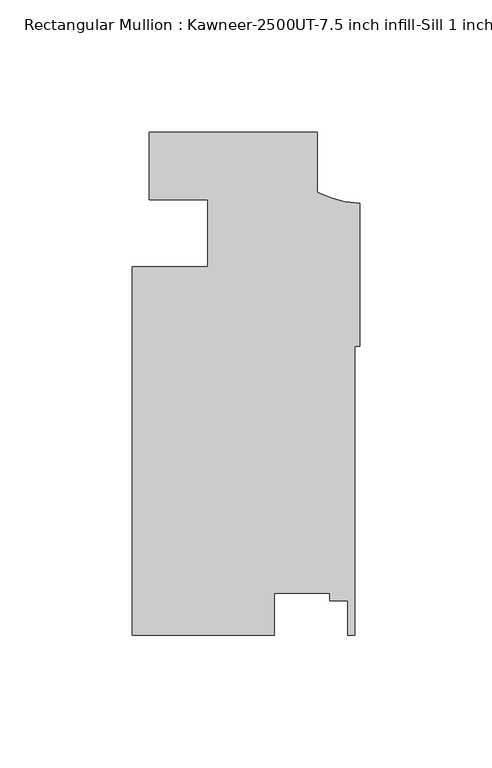
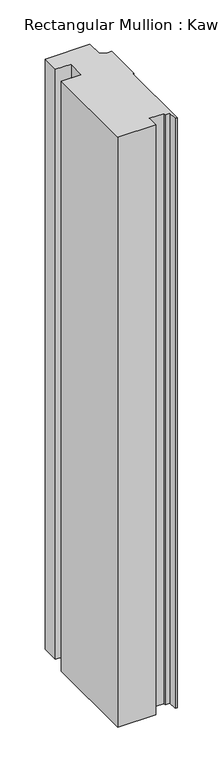
"""IFC4 building model written with IfcOpenShell, lengths in millimetres: member geometry, Rectangular Mullion : Kawneer-2500UT-7.5 inch infill-Sill 1 inch infill MODEL."""

from ifc_helpers import new_model, si_unit, point, frame, frame_2d, origin, place, context, project, spatial, polyline, circle_curve, trimmed, segment, composite_curve, outline, extrude, source, transform, mapped, element, save


def rectangular_mullion_kawneer_2500ut_7_5_inch_infill_sill_1_5e79ead6(model_context):
    return source(origin(), model_context, "Body", "SweptSolid", [
        extrude(outline(composite_curve([segment(polyline([(-79.4905696, 38.1), (-15.9746946, 38.1), (-15.9746946, 15.5383029)]), True, "CONTINUOUS"), segment(trimmed(circle_curve(frame_2d((1.9580191, 50.6649275)), 39.4393455), [point((-15.9746946, 15.5383029))], [point((0.0, 11.2742162))], True, "CARTESIAN"), True, "CONTINUOUS"), segment(polyline([(0.0, 11.2742162), (0.0, -42.756141), (-1.8773984, -42.756141), (-1.8773984, -151.907875), (-4.4208709, -151.907875), (-4.4208709, -138.8640758), (-11.2788707, -138.8640758), (-11.2788707, -136.0094705), (-32.2255199, -136.0094705), (-32.2255199, -151.907875), (-85.8405696, -151.907875), (-85.8405696, -12.7163275), (-57.2655696, -12.7157457), (-57.2655696, 12.3664923)]), True, "CONTINUOUS"), segment(trimmed(circle_curve(frame_2d((-75.1898178, -448.3236947)), 461.0387479), [point((-57.2655696, 12.3664923))], [point((-79.4905696, 12.6949932))], True, "CARTESIAN"), True, "CONTINUOUS"), segment(polyline([(-79.4905696, 12.6949932), (-79.4905696, 38.1)]), True, "CONTINUOUS")], self_intersect=False)), frame((0.0, 0.0, -885.8296567), z_axis=(0.0, 0.0, 1.0), x_axis=(1.0, 0.0, 0.0)), (0.0, 0.0, 1.0), 885.8296567),
    ])


if __name__ == "__main__":
    model = new_model("IFC4")
    model_context = context("Model", 3, world=origin())
    ifc_project = project(units=[si_unit("LENGTHUNIT", "METRE", prefix="MILLI")], contexts=[model_context])
    site = spatial("IfcSite", under=ifc_project)
    building = spatial("IfcBuilding", under=site)
    placement = place(None, origin())
    rectangular_mullion_kawneer_2500ut_7_5_inch_infill_sill_1_shape = rectangular_mullion_kawneer_2500ut_7_5_inch_infill_sill_1_5e79ead6(model_context)
    element("IfcMember", 1, ObjectType="Rectangular Mullion : Kawneer-2500UT-7.5 inch infill-Sill 1 inch infill MODEL", at=placement, inside=building, context=model_context, shape_type="MappedRepresentation", body=[
        mapped(rectangular_mullion_kawneer_2500ut_7_5_inch_infill_sill_1_shape, transform((0.0, 0.0, 0.0), x_axis=(1.0, 0.0, 0.0), y_axis=(0.0, 1.0, 0.0), z_axis=(0.0, 0.0, 1.0))),
    ])
    save(model, "model.ifc")
